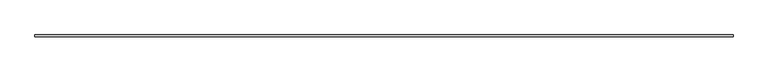
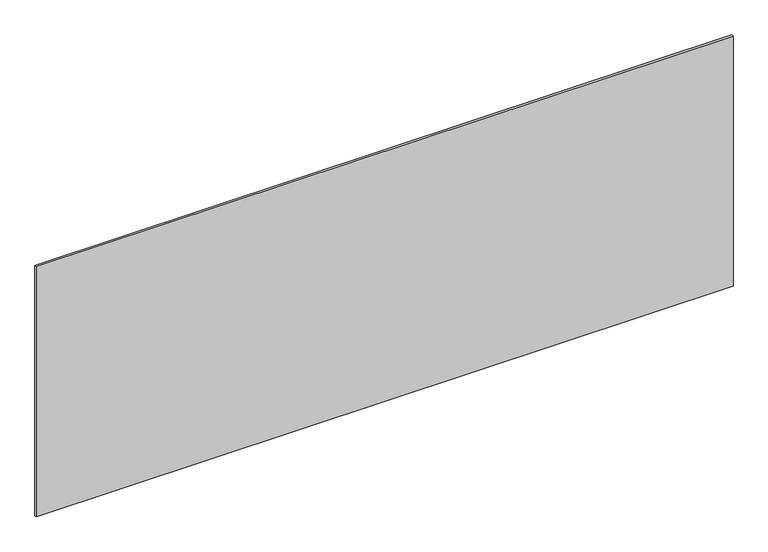
"""IFC4 building model written with IfcOpenShell, lengths in millimetres: plate geometry."""

from ifc_helpers import new_model, si_unit, origin, origin_with_axes, place, context, project, spatial, polyline, outline, extrude, source, transform, mapped, element, save


def plate_bf9f031a(model_context):
    return source(origin(), model_context, "Body", "SweptSolid", [
        extrude(outline(polyline([(1715.0, -5.0), (-1715.0, -5.0), (-1715.0, 5.0), (1715.0, 5.0), (1715.0, -5.0)])), origin_with_axes(), (0.0, 0.0, 1.0), 1302.8439899),
    ])


if __name__ == "__main__":
    model = new_model("IFC4")
    model_context = context("Model", 3, world=origin())
    ifc_project = project(units=[si_unit("LENGTHUNIT", "METRE", prefix="MILLI")], contexts=[model_context])
    site = spatial("IfcSite", under=ifc_project)
    building = spatial("IfcBuilding", under=site)
    placement = place(None, origin())
    plate_shape = plate_bf9f031a(model_context)
    element("IfcPlate", 1, at=placement, inside=building, context=model_context, shape_type="MappedRepresentation", body=[
        mapped(plate_shape, transform((0.0, 0.0, 0.0), x_axis=(1.0, 0.0, 0.0), y_axis=(0.0, 1.0, 0.0), z_axis=(0.0, 0.0, 1.0))),
    ])
    save(model, "model.ifc")
